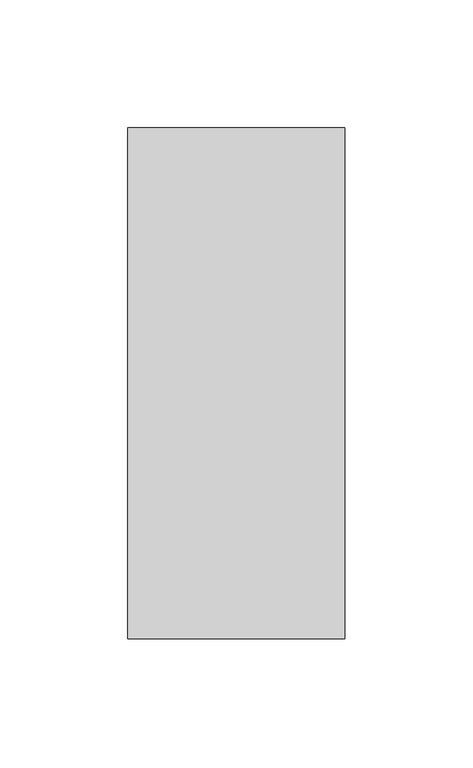
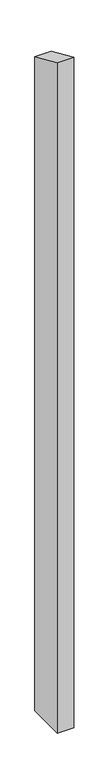
"""IFC4 building model written with IfcOpenShell, lengths in millimetres: column geometry."""

from ifc_helpers import new_model, si_unit, frame, origin, place, context, project, spatial, polyline, outline, extrude, source, transform, mapped, element, save


def column_6da965c7(model_context):
    return source(origin(), model_context, "Body", "SweptSolid", [
        extrude(outline(polyline([(3559.2068086, 0.0), (3359.2068086, 0.0), (3359.2068086, 3658.7009296), (3559.2068086, 3569.6551925), (3559.2068086, 0.0)])), frame((-2768.3729589, 0.0, 0.0), z_axis=(1.0, 0.0, 0.0), x_axis=(0.0, 1.0, 0.0)), (0.0, 0.0, 1.0), 85.0),
    ])


if __name__ == "__main__":
    model = new_model("IFC4")
    model_context = context("Model", 3, world=origin())
    ifc_project = project(units=[si_unit("LENGTHUNIT", "METRE", prefix="MILLI")], contexts=[model_context])
    site = spatial("IfcSite", under=ifc_project)
    building = spatial("IfcBuilding", under=site)
    placement = place(None, origin())
    column_shape = column_6da965c7(model_context)
    element("IfcColumn", 1, at=placement, inside=building, context=model_context, shape_type="MappedRepresentation", body=[
        mapped(column_shape, transform((0.0, 0.0, 0.0), x_axis=(1.0, 0.0, 0.0), y_axis=(0.0, 1.0, 0.0), z_axis=(0.0, 0.0, 1.0))),
    ])
    save(model, "model.ifc")
